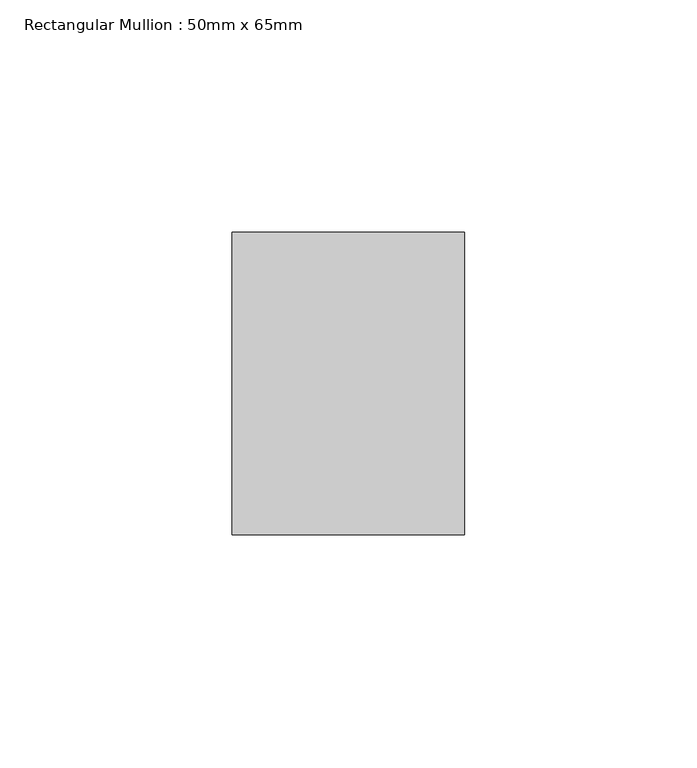
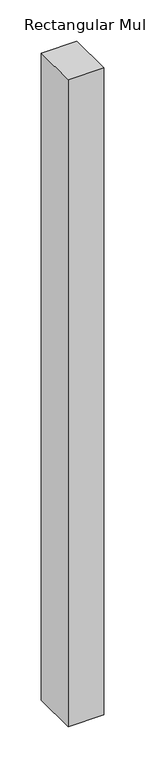
"""IFC4 building model written with IfcOpenShell, lengths in millimetres: member geometry, Rectangular Mullion : 50mm x 65mm."""

import ifcopenshell
import ifcopenshell.guid

model = None  # the IFC model being written
_history = None  # IfcOwnerHistory: only IFC2X3 demands one
_inside = {}  # id of a spatial element -> (the spatial element, [elements in it])
_under = {}  # id of a project, library or spatial element -> (it, [spatial elements below it])
_declared = {}  # id of a project -> (the project, [libraries it declares])
_typed = {}  # id of a type object -> (the type object, [elements of that type])
_made_of = {}  # id of a material, layer set ... -> (it, [elements and type objects made of it])


def new_model(schema):
    """Start an empty IFC model of exactly this schema.

    Asked for "IFC4X3", IfcOpenShell would pick the latest addendum, in which some entities
    have other attributes; the version numbers below select the first issue.
    IFC2X3 requires an IfcOwnerHistory on every rooted entity: one is made here for all.
    """
    global model, _history
    if schema == "IFC4X3":
        model = ifcopenshell.file(schema_version=(4, 3, 0, 0))
    else:
        model = ifcopenshell.file(schema=schema)
    _inside.clear()
    _under.clear()
    _declared.clear()
    _typed.clear()
    _made_of.clear()
    _history = None
    if model.schema == "IFC2X3":
        org = make("IfcOrganization", Name="unknown")
        user = make(
            "IfcPersonAndOrganization",
            ThePerson=make("IfcPerson", FamilyName="unknown"),
            TheOrganization=org,
        )
        app = make(
            "IfcApplication",
            ApplicationDeveloper=org,
            Version="unknown",
            ApplicationFullName="unknown",
            ApplicationIdentifier="unknown",
        )
        _history = make(
            "IfcOwnerHistory",
            OwningUser=user,
            OwningApplication=app,
            ChangeAction="ADDED",
            CreationDate=0,
        )
    return model


def make(cls, **values):
    """One entity of the class cls with the attributes given. An attribute that is None is left unset."""
    return model.create_entity(
        cls, **{name: value for name, value in values.items() if value is not None}
    )


def rooted(cls, **values):
    """An entity with a GlobalId (a new one), such as an element, a storey or a relation."""
    return make(cls, GlobalId=ifcopenshell.guid.new(), OwnerHistory=_history, **values)


def si_unit(unit_type, name, prefix=None):
    """IfcSIUnit, for example si_unit("LENGTHUNIT", "METRE", prefix="MILLI")."""
    return make("IfcSIUnit", UnitType=unit_type, Prefix=prefix, Name=name)


def assignment(units):
    """IfcUnitAssignment: the units of a project."""
    return None if units is None else make("IfcUnitAssignment", Units=units)


def point(xyz):
    """IfcCartesianPoint."""
    return None if xyz is None else make("IfcCartesianPoint", Coordinates=xyz)


def direction(xyz):
    """IfcDirection."""
    return None if xyz is None else make("IfcDirection", DirectionRatios=xyz)


def frame(location, z_axis=None, x_axis=None):
    """IfcAxis2Placement3D, a coordinate frame: its origin and axes. An axis left out is left unset."""
    return make(
        "IfcAxis2Placement3D",
        Location=point(location),
        Axis=direction(z_axis),
        RefDirection=direction(x_axis),
    )


def origin():
    """The frame at (0, 0, 0) with its axes left unset."""
    return frame((0.0, 0.0, 0.0))


def place(relative_to, where):
    """IfcLocalPlacement: puts the frame where relative to a parent placement (None: the world)."""
    return make(
        "IfcLocalPlacement", PlacementRelTo=relative_to, RelativePlacement=where
    )


def context(
    kind, dimensions, precision=None, world=None, true_north=None, identifier=None
):
    """IfcGeometricRepresentationContext, for example the 3D "Model" context."""
    return make(
        "IfcGeometricRepresentationContext",
        ContextIdentifier=identifier,
        ContextType=kind,
        CoordinateSpaceDimension=dimensions,
        Precision=precision,
        WorldCoordinateSystem=world,
        TrueNorth=true_north,
    )


def project(units=None, contexts=None):
    """IfcProject with its units and contexts."""
    return rooted(
        "IfcProject",
        Name="project",
        RepresentationContexts=contexts,
        UnitsInContext=assignment(units),
    )


def spatial(cls, under=None, at=None, **own):
    """A site, building, storey or space (cls), placed at a placement, below another one or the project."""
    s = rooted(cls, ObjectPlacement=at, **own)
    if under is not None:
        _under.setdefault(under.id(), (under, []))[1].append(s)
    return s


def polyline(points):
    """IfcPolyline through the points."""
    return make("IfcPolyline", Points=[point(p) for p in points])


def outline(outer, holes=None, kind="AREA"):
    """IfcArbitraryClosedProfileDef: a profile drawn as a closed curve; with holes, ...WithVoids."""
    if holes is None:
        return make("IfcArbitraryClosedProfileDef", ProfileType=kind, OuterCurve=outer)
    return make(
        "IfcArbitraryProfileDefWithVoids",
        ProfileType=kind,
        OuterCurve=outer,
        InnerCurves=holes,
    )


def extrude(swept, where, along, depth):
    """IfcExtrudedAreaSolid: the profile swept, set in the frame where, extruded along a direction by depth."""
    return make(
        "IfcExtrudedAreaSolid",
        SweptArea=swept,
        Position=where,
        ExtrudedDirection=direction(along),
        Depth=depth,
    )


def shape(context_of_items, identifier, shape_type, items):
    """IfcShapeRepresentation: the items that make up one representation, for example the "Body"."""
    return make(
        "IfcShapeRepresentation",
        ContextOfItems=context_of_items,
        RepresentationIdentifier=identifier,
        RepresentationType=shape_type,
        Items=items,
    )


def source(mapping_origin, context_of_items, identifier, shape_type, items):
    """IfcRepresentationMap: a shape defined once, which mapped items show again and again."""
    return make(
        "IfcRepresentationMap",
        MappingOrigin=mapping_origin,
        MappedRepresentation=shape(context_of_items, identifier, shape_type, items),
    )


def transform(
    local_origin,
    x_axis=None,
    y_axis=None,
    z_axis=None,
    scale=None,
    scale2=None,
    scale3=None,
    uniform=True,
):
    """IfcCartesianTransformationOperator3D, or its non-uniform kind. x_axis, y_axis, z_axis: its Axis1, 2, 3."""
    if uniform:
        return make(
            "IfcCartesianTransformationOperator3D",
            Axis1=direction(x_axis),
            Axis2=direction(y_axis),
            LocalOrigin=point(local_origin),
            Scale=scale,
            Axis3=direction(z_axis),
        )
    return make(
        "IfcCartesianTransformationOperator3DnonUniform",
        Axis1=direction(x_axis),
        Axis2=direction(y_axis),
        LocalOrigin=point(local_origin),
        Scale=scale,
        Axis3=direction(z_axis),
        Scale2=scale2,
        Scale3=scale3,
    )


def mapped(mapping_source, mapping_target):
    """IfcMappedItem: shows the shape of a source again, moved by a transform."""
    return make(
        "IfcMappedItem", MappingSource=mapping_source, MappingTarget=mapping_target
    )


def made_of(thing, what):
    """Note that an element or type object is made of a material, layer set ...; save() writes the relation."""
    if what is not None:
        _made_of.setdefault(what.id(), (what, []))[1].append(thing)
    return thing


def element(
    cls,
    number,
    at=None,
    inside=None,
    cuts=None,
    type_object=None,
    material=None,
    context=None,
    identifier="Body",
    shape_type=None,
    held_by="IfcProductDefinitionShape",
    body=None,
    shapes=None,
    **own,
):
    """One element of the class cls, such as IfcWall. Its Tag is "e" and its number.

    at: its placement. inside: the storey or other place that contains it. cuts: it is an
    opening in that element (IfcRelVoidsElement). A single representation is given by context,
    identifier, shape_type and body (its items); several are given by shapes. held_by: the class
    of the entity that holds the representations. save() writes the other relations.
    """
    e = rooted(cls, Tag="e%d" % number, ObjectPlacement=at, **own)
    if body is not None:
        shapes = [shape(context, identifier, shape_type, body)]
    if shapes is not None:
        e.Representation = make(held_by, Representations=shapes)
    if inside is not None:
        _inside.setdefault(inside.id(), (inside, []))[1].append(e)
    if cuts is not None:
        rooted(
            "IfcRelVoidsElement", RelatingBuildingElement=cuts, RelatedOpeningElement=e
        )
    if type_object is not None:
        _typed.setdefault(type_object.id(), (type_object, []))[1].append(e)
    return made_of(e, material)


def aggregate(whole, parts):
    """IfcRelAggregates: a whole, such as a stair, and the parts it consists of."""
    return rooted("IfcRelAggregates", RelatingObject=whole, RelatedObjects=parts)


def save(model, path):
    """Write the relations noted so far, then the file.

    IfcRelAggregates (storeys below a building ...), IfcRelContainedInSpatialStructure (elements
    in a storey), IfcRelDefinesByType, IfcRelAssociatesMaterial and IfcRelDeclares: one each for
    every whole, place, type object, material and project.
    """
    for whole, parts in _under.values():
        aggregate(whole, parts)
    for where, things in _inside.values():
        rooted(
            "IfcRelContainedInSpatialStructure",
            RelatedElements=things,
            RelatingStructure=where,
        )
    for kind, things in _typed.values():
        rooted("IfcRelDefinesByType", RelatedObjects=things, RelatingType=kind)
    for what, things in _made_of.values():
        rooted("IfcRelAssociatesMaterial", RelatedObjects=things, RelatingMaterial=what)
    for by, libraries in _declared.values():
        rooted("IfcRelDeclares", RelatingContext=by, RelatedDefinitions=libraries)
    model.write(path)


def rectangular_mullion_50mm_x_65mm_2d80f17a(model_context):
    return source(origin(), model_context, "Body", "SweptSolid", [
        extrude(outline(polyline([(25.0, 32.5), (25.0, -32.5), (-25.0, -32.5), (-25.0, 32.5), (25.0, 32.5)])), frame((0.0, 0.0, -957.7642155), z_axis=(0.0, 0.0, 1.0), x_axis=(1.0, 0.0, 0.0)), (0.0, 0.0, 1.0), 957.7642155),
    ])


if __name__ == "__main__":
    model = new_model("IFC4")
    model_context = context("Model", 3, world=origin())
    ifc_project = project(units=[si_unit("LENGTHUNIT", "METRE", prefix="MILLI")], contexts=[model_context])
    site = spatial("IfcSite", under=ifc_project)
    building = spatial("IfcBuilding", under=site)
    placement = place(None, origin())
    rectangular_mullion_50mm_x_65mm_shape = rectangular_mullion_50mm_x_65mm_2d80f17a(model_context)
    element("IfcMember", 1, ObjectType="Rectangular Mullion : 50mm x 65mm", at=placement, inside=building, context=model_context, shape_type="MappedRepresentation", body=[
        mapped(rectangular_mullion_50mm_x_65mm_shape, transform((0.0, 0.0, 0.0), x_axis=(1.0, 0.0, 0.0), y_axis=(0.0, 1.0, 0.0), z_axis=(0.0, 0.0, 1.0))),
    ])
    save(model, "model.ifc")
